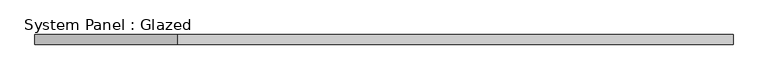
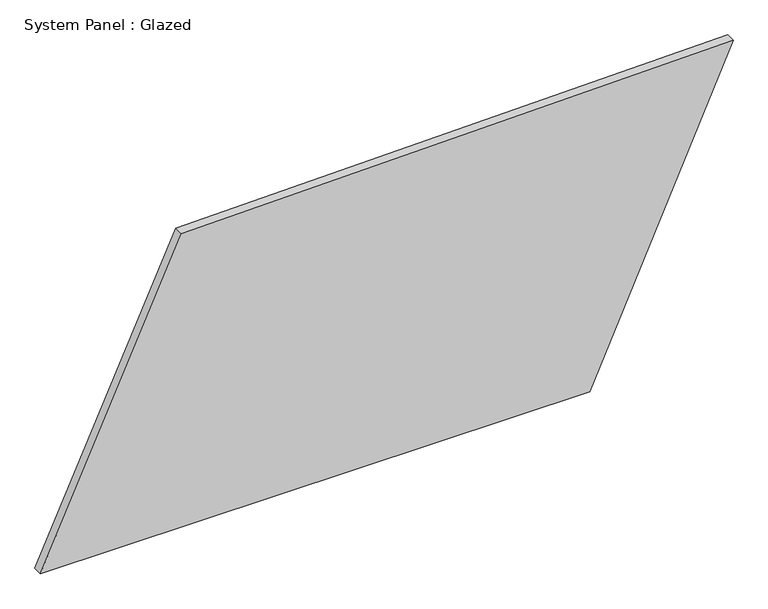
"""IFC4 building model written with IfcOpenShell, lengths in millimetres: plate geometry, System Panel : Glazed."""

from ifc_helpers import new_model, si_unit, frame, origin, place, context, project, spatial, polyline, outline, extrude, source, transform, mapped, element, save


def system_panel_glazed_e267f9e1(model_context):
    return source(origin(), model_context, "Body", "SweptSolid", [
        extrude(outline(polyline([(0.0, -908.7779114), (0.0, 533.221303), (842.9195293, 908.7779114), (812.7446168, -538.6632968), (0.0, -908.7779114)])), frame((0.0, -49.5, 0.0), z_axis=(0.0, 1.0, 0.0), x_axis=(0.0, 0.0, 1.0)), (0.0, 0.0, 1.0), 25.0),
    ])


if __name__ == "__main__":
    model = new_model("IFC4")
    model_context = context("Model", 3, world=origin())
    ifc_project = project(units=[si_unit("LENGTHUNIT", "METRE", prefix="MILLI")], contexts=[model_context])
    site = spatial("IfcSite", under=ifc_project)
    building = spatial("IfcBuilding", under=site)
    placement = place(None, origin())
    system_panel_glazed_shape = system_panel_glazed_e267f9e1(model_context)
    element("IfcPlate", 1, ObjectType="System Panel : Glazed", at=placement, inside=building, context=model_context, shape_type="MappedRepresentation", body=[
        mapped(system_panel_glazed_shape, transform((0.0, 0.0, 0.0), x_axis=(1.0, 0.0, 0.0), y_axis=(0.0, 1.0, 0.0), z_axis=(0.0, 0.0, 1.0))),
    ])
    save(model, "model.ifc")
